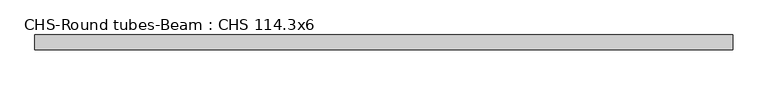
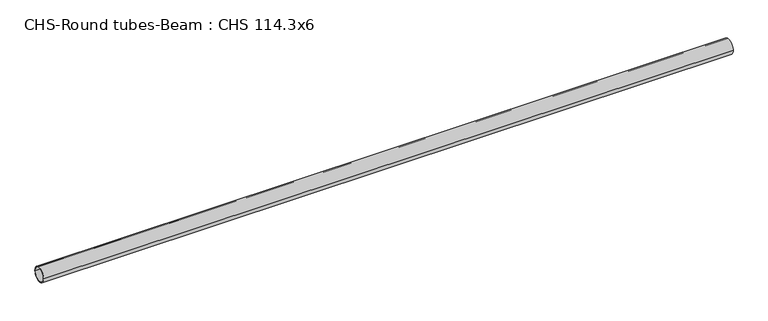
"""IFC4 building model written with IfcOpenShell, lengths in millimetres: beam geometry, CHS-Round tubes-Beam : CHS 114.3x6."""

from ifc_helpers import new_model, si_unit, point, frame, origin, origin_2d, place, context, project, spatial, circle_curve, trimmed, segment, composite_curve, outline, extrude, source, transform, mapped, element, save


def chs_round_tubes_beam_chs_114_3x6_6bbc5bf9(model_context):
    return source(origin(), model_context, "Body", "SweptSolid", [
        extrude(outline(composite_curve([segment(trimmed(circle_curve(origin_2d(), 57.15), [point((57.15, 0.0))], [point((-57.15, 0.0))], False, "CARTESIAN"), True, "CONTINUOUS"), segment(trimmed(circle_curve(origin_2d(), 57.15), [point((-57.15, 0.0))], [point((57.15, 0.0))], False, "CARTESIAN"), True, "CONTINUOUS")], self_intersect=False), holes=[composite_curve([segment(trimmed(circle_curve(origin_2d(), 51.15), [point((51.15, 0.0))], [point((-51.15, 0.0))], True, "CARTESIAN"), True, "CONTINUOUS"), segment(trimmed(circle_curve(origin_2d(), 51.15), [point((-51.15, 0.0))], [point((51.15, 0.0))], True, "CARTESIAN"), True, "CONTINUOUS")], self_intersect=False)]), frame((-2667.3446486, 0.0, 0.0), z_axis=(1.0, 0.0, 0.0), x_axis=(0.0, 1.0, 0.0)), (0.0, 0.0, 1.0), 5303.1035863),
    ])


if __name__ == "__main__":
    model = new_model("IFC4")
    model_context = context("Model", 3, world=origin())
    ifc_project = project(units=[si_unit("LENGTHUNIT", "METRE", prefix="MILLI")], contexts=[model_context])
    site = spatial("IfcSite", under=ifc_project)
    building = spatial("IfcBuilding", under=site)
    placement = place(None, origin())
    chs_round_tubes_beam_chs_114_3x6_shape = chs_round_tubes_beam_chs_114_3x6_6bbc5bf9(model_context)
    element("IfcBeam", 1, ObjectType="CHS-Round tubes-Beam : CHS 114.3x6", at=placement, inside=building, context=model_context, shape_type="MappedRepresentation", body=[
        mapped(chs_round_tubes_beam_chs_114_3x6_shape, transform((0.0, 0.0, 0.0), x_axis=(1.0, 0.0, 0.0), y_axis=(0.0, 1.0, 0.0), z_axis=(0.0, 0.0, 1.0))),
    ])
    save(model, "model.ifc")
